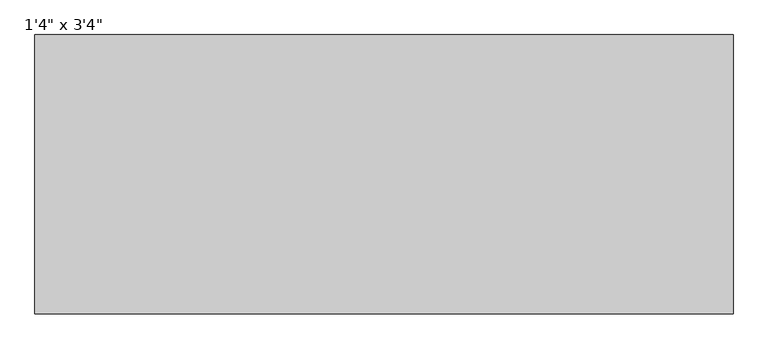
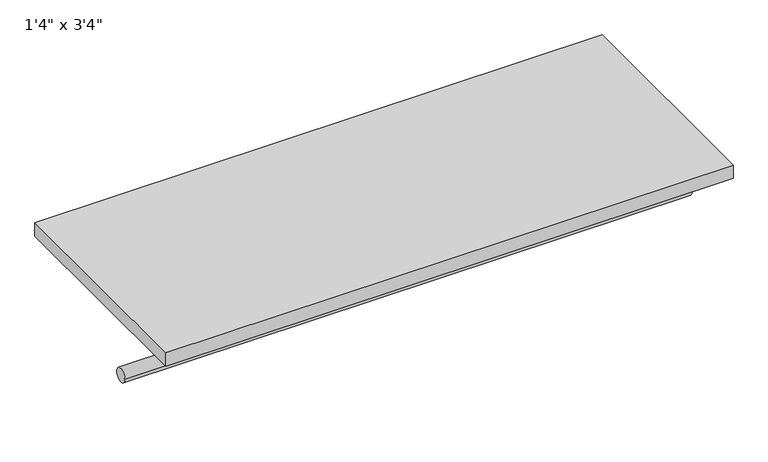
"""IFC4 building model written with IfcOpenShell, lengths in millimetres: furniture geometry."""

import ifcopenshell
import ifcopenshell.guid

model = None  # the IFC model being written
_history = None  # IfcOwnerHistory: only IFC2X3 demands one
_inside = {}  # id of a spatial element -> (the spatial element, [elements in it])
_under = {}  # id of a project, library or spatial element -> (it, [spatial elements below it])
_declared = {}  # id of a project -> (the project, [libraries it declares])
_typed = {}  # id of a type object -> (the type object, [elements of that type])
_made_of = {}  # id of a material, layer set ... -> (it, [elements and type objects made of it])


def new_model(schema):
    """Start an empty IFC model of exactly this schema.

    Asked for "IFC4X3", IfcOpenShell would pick the latest addendum, in which some entities
    have other attributes; the version numbers below select the first issue.
    IFC2X3 requires an IfcOwnerHistory on every rooted entity: one is made here for all.
    """
    global model, _history
    if schema == "IFC4X3":
        model = ifcopenshell.file(schema_version=(4, 3, 0, 0))
    else:
        model = ifcopenshell.file(schema=schema)
    _inside.clear()
    _under.clear()
    _declared.clear()
    _typed.clear()
    _made_of.clear()
    _history = None
    if model.schema == "IFC2X3":
        org = make("IfcOrganization", Name="unknown")
        user = make(
            "IfcPersonAndOrganization",
            ThePerson=make("IfcPerson", FamilyName="unknown"),
            TheOrganization=org,
        )
        app = make(
            "IfcApplication",
            ApplicationDeveloper=org,
            Version="unknown",
            ApplicationFullName="unknown",
            ApplicationIdentifier="unknown",
        )
        _history = make(
            "IfcOwnerHistory",
            OwningUser=user,
            OwningApplication=app,
            ChangeAction="ADDED",
            CreationDate=0,
        )
    return model


def make(cls, **values):
    """One entity of the class cls with the attributes given. An attribute that is None is left unset."""
    return model.create_entity(
        cls, **{name: value for name, value in values.items() if value is not None}
    )


def rooted(cls, **values):
    """An entity with a GlobalId (a new one), such as an element, a storey or a relation."""
    return make(cls, GlobalId=ifcopenshell.guid.new(), OwnerHistory=_history, **values)


def si_unit(unit_type, name, prefix=None):
    """IfcSIUnit, for example si_unit("LENGTHUNIT", "METRE", prefix="MILLI")."""
    return make("IfcSIUnit", UnitType=unit_type, Prefix=prefix, Name=name)


def assignment(units):
    """IfcUnitAssignment: the units of a project."""
    return None if units is None else make("IfcUnitAssignment", Units=units)


def point(xyz):
    """IfcCartesianPoint."""
    return None if xyz is None else make("IfcCartesianPoint", Coordinates=xyz)


def direction(xyz):
    """IfcDirection."""
    return None if xyz is None else make("IfcDirection", DirectionRatios=xyz)


def frame(location, z_axis=None, x_axis=None):
    """IfcAxis2Placement3D, a coordinate frame: its origin and axes. An axis left out is left unset."""
    return make(
        "IfcAxis2Placement3D",
        Location=point(location),
        Axis=direction(z_axis),
        RefDirection=direction(x_axis),
    )


def frame_2d(location, x_axis=None):
    """IfcAxis2Placement2D, a coordinate frame in the plane: its origin and x axis."""
    return make(
        "IfcAxis2Placement2D", Location=point(location), RefDirection=direction(x_axis)
    )


def origin():
    """The frame at (0, 0, 0) with its axes left unset."""
    return frame((0.0, 0.0, 0.0))


def origin_with_axes():
    """The frame at (0, 0, 0) with the z axis (0, 0, 1) and the x axis (1, 0, 0) written out."""
    return frame((0.0, 0.0, 0.0), z_axis=(0.0, 0.0, 1.0), x_axis=(1.0, 0.0, 0.0))


def place(relative_to, where):
    """IfcLocalPlacement: puts the frame where relative to a parent placement (None: the world)."""
    return make(
        "IfcLocalPlacement", PlacementRelTo=relative_to, RelativePlacement=where
    )


def context(
    kind, dimensions, precision=None, world=None, true_north=None, identifier=None
):
    """IfcGeometricRepresentationContext, for example the 3D "Model" context."""
    return make(
        "IfcGeometricRepresentationContext",
        ContextIdentifier=identifier,
        ContextType=kind,
        CoordinateSpaceDimension=dimensions,
        Precision=precision,
        WorldCoordinateSystem=world,
        TrueNorth=true_north,
    )


def project(units=None, contexts=None):
    """IfcProject with its units and contexts."""
    return rooted(
        "IfcProject",
        Name="project",
        RepresentationContexts=contexts,
        UnitsInContext=assignment(units),
    )


def spatial(cls, under=None, at=None, **own):
    """A site, building, storey or space (cls), placed at a placement, below another one or the project."""
    s = rooted(cls, ObjectPlacement=at, **own)
    if under is not None:
        _under.setdefault(under.id(), (under, []))[1].append(s)
    return s


def polyline(points):
    """IfcPolyline through the points."""
    return make("IfcPolyline", Points=[point(p) for p in points])


def circle_curve(where, radius):
    """IfcCircle in the frame where."""
    return make("IfcCircle", Position=where, Radius=radius)


def trimmed(basis, trim1, trim2, sense, master):
    """IfcTrimmedCurve: the piece of a basis curve between two trims."""
    return make(
        "IfcTrimmedCurve",
        BasisCurve=basis,
        Trim1=trim1,
        Trim2=trim2,
        SenseAgreement=sense,
        MasterRepresentation=master,
    )


def segment(curve, same_sense, transition):
    """IfcCompositeCurveSegment."""
    return make(
        "IfcCompositeCurveSegment",
        Transition=transition,
        SameSense=same_sense,
        ParentCurve=curve,
    )


def composite_curve(segments, self_intersect=None):
    """IfcCompositeCurve: segments joined end to end."""
    return make("IfcCompositeCurve", Segments=segments, SelfIntersect=self_intersect)


def outline(outer, holes=None, kind="AREA"):
    """IfcArbitraryClosedProfileDef: a profile drawn as a closed curve; with holes, ...WithVoids."""
    if holes is None:
        return make("IfcArbitraryClosedProfileDef", ProfileType=kind, OuterCurve=outer)
    return make(
        "IfcArbitraryProfileDefWithVoids",
        ProfileType=kind,
        OuterCurve=outer,
        InnerCurves=holes,
    )


def extrude(swept, where, along, depth):
    """IfcExtrudedAreaSolid: the profile swept, set in the frame where, extruded along a direction by depth."""
    return make(
        "IfcExtrudedAreaSolid",
        SweptArea=swept,
        Position=where,
        ExtrudedDirection=direction(along),
        Depth=depth,
    )


def shape(context_of_items, identifier, shape_type, items):
    """IfcShapeRepresentation: the items that make up one representation, for example the "Body"."""
    return make(
        "IfcShapeRepresentation",
        ContextOfItems=context_of_items,
        RepresentationIdentifier=identifier,
        RepresentationType=shape_type,
        Items=items,
    )


def source(mapping_origin, context_of_items, identifier, shape_type, items):
    """IfcRepresentationMap: a shape defined once, which mapped items show again and again."""
    return make(
        "IfcRepresentationMap",
        MappingOrigin=mapping_origin,
        MappedRepresentation=shape(context_of_items, identifier, shape_type, items),
    )


def transform(
    local_origin,
    x_axis=None,
    y_axis=None,
    z_axis=None,
    scale=None,
    scale2=None,
    scale3=None,
    uniform=True,
):
    """IfcCartesianTransformationOperator3D, or its non-uniform kind. x_axis, y_axis, z_axis: its Axis1, 2, 3."""
    if uniform:
        return make(
            "IfcCartesianTransformationOperator3D",
            Axis1=direction(x_axis),
            Axis2=direction(y_axis),
            LocalOrigin=point(local_origin),
            Scale=scale,
            Axis3=direction(z_axis),
        )
    return make(
        "IfcCartesianTransformationOperator3DnonUniform",
        Axis1=direction(x_axis),
        Axis2=direction(y_axis),
        LocalOrigin=point(local_origin),
        Scale=scale,
        Axis3=direction(z_axis),
        Scale2=scale2,
        Scale3=scale3,
    )


def mapped(mapping_source, mapping_target):
    """IfcMappedItem: shows the shape of a source again, moved by a transform."""
    return make(
        "IfcMappedItem", MappingSource=mapping_source, MappingTarget=mapping_target
    )


def made_of(thing, what):
    """Note that an element or type object is made of a material, layer set ...; save() writes the relation."""
    if what is not None:
        _made_of.setdefault(what.id(), (what, []))[1].append(thing)
    return thing


def element(
    cls,
    number,
    at=None,
    inside=None,
    cuts=None,
    type_object=None,
    material=None,
    context=None,
    identifier="Body",
    shape_type=None,
    held_by="IfcProductDefinitionShape",
    body=None,
    shapes=None,
    **own,
):
    """One element of the class cls, such as IfcWall. Its Tag is "e" and its number.

    at: its placement. inside: the storey or other place that contains it. cuts: it is an
    opening in that element (IfcRelVoidsElement). A single representation is given by context,
    identifier, shape_type and body (its items); several are given by shapes. held_by: the class
    of the entity that holds the representations. save() writes the other relations.
    """
    e = rooted(cls, Tag="e%d" % number, ObjectPlacement=at, **own)
    if body is not None:
        shapes = [shape(context, identifier, shape_type, body)]
    if shapes is not None:
        e.Representation = make(held_by, Representations=shapes)
    if inside is not None:
        _inside.setdefault(inside.id(), (inside, []))[1].append(e)
    if cuts is not None:
        rooted(
            "IfcRelVoidsElement", RelatingBuildingElement=cuts, RelatedOpeningElement=e
        )
    if type_object is not None:
        _typed.setdefault(type_object.id(), (type_object, []))[1].append(e)
    return made_of(e, material)


def aggregate(whole, parts):
    """IfcRelAggregates: a whole, such as a stair, and the parts it consists of."""
    return rooted("IfcRelAggregates", RelatingObject=whole, RelatedObjects=parts)


def save(model, path):
    """Write the relations noted so far, then the file.

    IfcRelAggregates (storeys below a building ...), IfcRelContainedInSpatialStructure (elements
    in a storey), IfcRelDefinesByType, IfcRelAssociatesMaterial and IfcRelDeclares: one each for
    every whole, place, type object, material and project.
    """
    for whole, parts in _under.values():
        aggregate(whole, parts)
    for where, things in _inside.values():
        rooted(
            "IfcRelContainedInSpatialStructure",
            RelatedElements=things,
            RelatingStructure=where,
        )
    for kind, things in _typed.values():
        rooted("IfcRelDefinesByType", RelatedObjects=things, RelatingType=kind)
    for what, things in _made_of.values():
        rooted("IfcRelAssociatesMaterial", RelatedObjects=things, RelatingMaterial=what)
    for by, libraries in _declared.values():
        rooted("IfcRelDeclares", RelatingContext=by, RelatedDefinitions=libraries)
    model.write(path)


def furniture_024b01c3(model_context):
    return source(origin(), model_context, "Body", "SweptSolid", [
        extrude(outline(composite_curve([segment(trimmed(circle_curve(frame_2d((342.9, -101.6)), 12.7), [point((330.2, -101.6))], [point((355.6, -101.6))], False, "CARTESIAN"), True, "CONTINUOUS"), segment(trimmed(circle_curve(frame_2d((342.9, -101.6)), 12.7), [point((355.6, -101.6))], [point((330.2, -101.6))], False, "CARTESIAN"), True, "CONTINUOUS")], self_intersect=False)), frame((-489.2622951, 0.0, 0.0), z_axis=(1.0, 0.0, 0.0), x_axis=(0.0, 1.0, 0.0)), (0.0, 0.0, 1.0), 1016.0),
        extrude(outline(polyline([(526.7377049, 203.2), (-489.2622951, 203.2), (-489.2622951, 609.6), (526.7377049, 609.6), (526.7377049, 203.2)])), origin_with_axes(), (0.0, 0.0, 1.0), 25.4),
    ])


if __name__ == "__main__":
    model = new_model("IFC4")
    model_context = context("Model", 3, world=origin())
    ifc_project = project(units=[si_unit("LENGTHUNIT", "METRE", prefix="MILLI")], contexts=[model_context])
    site = spatial("IfcSite", under=ifc_project)
    building = spatial("IfcBuilding", under=site)
    placement = place(None, origin())
    furniture_shape = furniture_024b01c3(model_context)
    element("IfcFurniture", 1, ObjectType="1'4\" x 3'4\"", at=placement, inside=building, context=model_context, shape_type="MappedRepresentation", body=[
        mapped(furniture_shape, transform((0.0, 0.0, 0.0), x_axis=(1.0, 0.0, 0.0), y_axis=(0.0, 1.0, 0.0), z_axis=(0.0, 0.0, 1.0))),
    ])
    save(model, "model.ifc")
